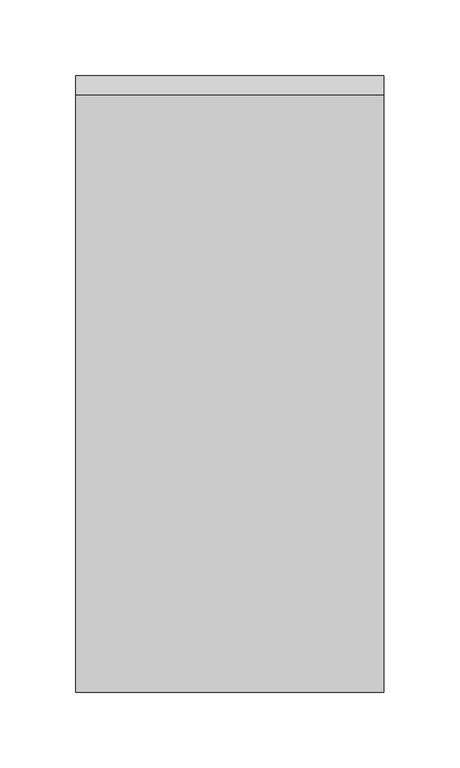
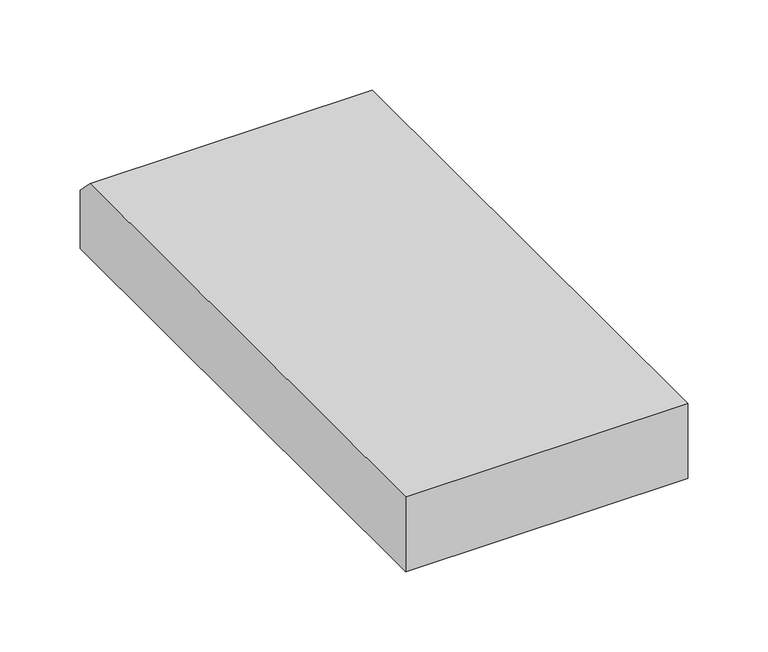
"""IFC4 building model written with IfcOpenShell, lengths in millimetres: proxy geometry."""

from ifc_helpers import new_model, si_unit, frame, origin, place, context, project, spatial, polyline, outline, extrude, source, transform, mapped, element, save


def generic_models_db125960(model_context):
    return source(origin(), model_context, "Body", "SweptSolid", [
        extrude(outline(polyline([(406.4, 0.0), (0.0, 0.0), (0.0, 57.15), (393.7, 57.15), (406.4, 44.45), (406.4, 0.0)])), frame((0.0, 0.0, 0.0), z_axis=(1.0, 0.0, 0.0), x_axis=(0.0, 1.0, 0.0)), (0.0, 0.0, 1.0), 203.2),
    ])


if __name__ == "__main__":
    model = new_model("IFC4")
    model_context = context("Model", 3, world=origin())
    ifc_project = project(units=[si_unit("LENGTHUNIT", "METRE", prefix="MILLI")], contexts=[model_context])
    site = spatial("IfcSite", under=ifc_project)
    building = spatial("IfcBuilding", under=site)
    placement = place(None, origin())
    generic_models_shape = generic_models_db125960(model_context)
    element("IfcBuildingElementProxy", 1, Name="Generic Models", at=placement, inside=building, context=model_context, shape_type="MappedRepresentation", body=[
        mapped(generic_models_shape, transform((0.0, 0.0, 0.0), x_axis=(1.0, 0.0, 0.0), y_axis=(0.0, 1.0, 0.0), z_axis=(0.0, 0.0, 1.0))),
    ])
    save(model, "model.ifc")
